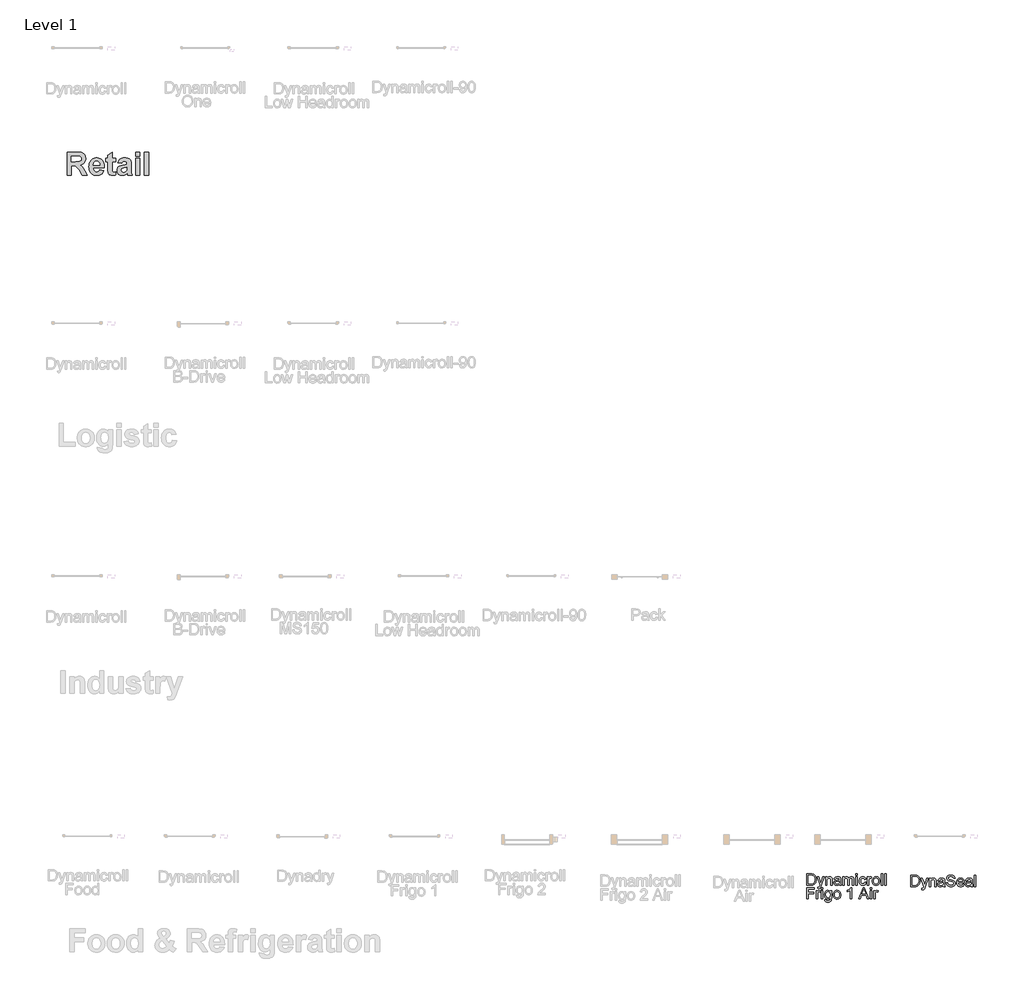
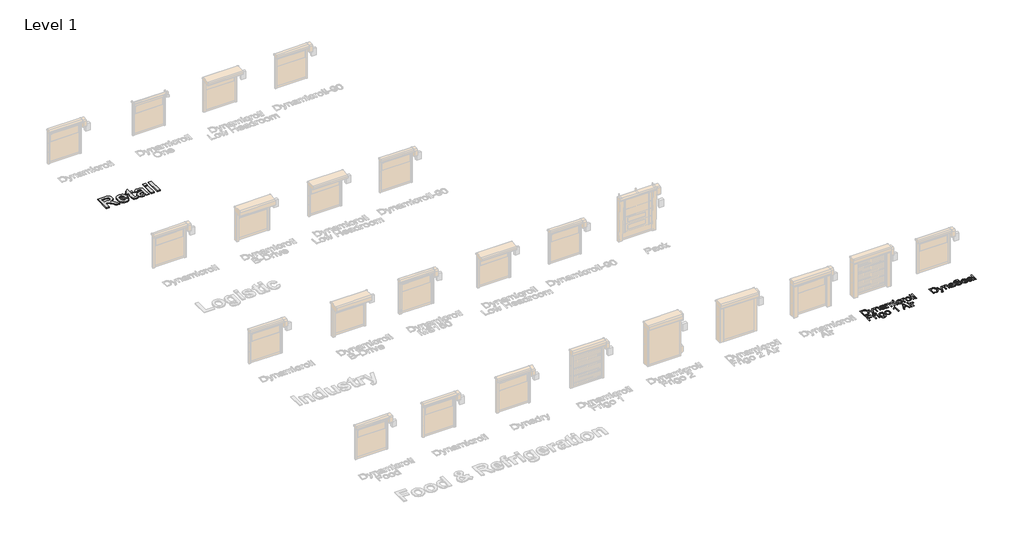
# One storey, part 12 of 18: 3 proxies.
"""IFC4 building model written with IfcOpenShell, lengths in millimetres."""

from ifc_helpers import new_model, si_unit, origin, origin_with_axes, place, context, project, spatial, polyline, outline, extrude, element, save

model = new_model("IFC4")

# Units and contexts
model_context = context("Model", 3, world=origin())
ifc_project = project(units=[si_unit("LENGTHUNIT", "METRE", prefix="MILLI")], contexts=[model_context])

# Site, building, storey
site = spatial("IfcSite", under=ifc_project)
building = spatial("IfcBuilding", under=site)
storey = spatial("IfcBuildingStorey", under=building, Name="Level 1", Elevation=0.0)

# Proxies
placement = place(None, origin())
element("IfcBuildingElementProxy", 1, Name="1000", ObjectType="1000", at=placement, inside=storey, context=model_context, shape_type="SweptSolid", body=[
    extrude(outline(polyline([(1045.7794526, 38987.0003222), (1045.7794526, 40007.2597221), (1474.9361844, 40007.2597221), (1550.3738911, 40005.5358836), (1614.7410749, 40000.3643678), (1668.0377356, 39991.7451749), (1710.2638733, 39979.6783048), (1745.1202058, 39963.1990406), (1776.3074506, 39941.3426652), (1803.8256077, 39914.1091786), (1827.6746773, 39881.4985808), (1846.9373873, 39844.9184098), (1860.6964659, 39805.7762035), (1868.9519131, 39764.0719618), (1871.7037288, 39719.8056849), (1867.726248, 39664.6270352), (1855.7938057, 39614.477566), (1835.9064019, 39569.3572772), (1808.0640366, 39529.2661689), (1772.2983397, 39495.1689581), (1728.6409415, 39468.0303617), (1677.0918419, 39447.8503798), (1617.6510409, 39434.6290123), (1674.015818, 39394.0160079), (1719.6263728, 39349.6073956), (1766.8184308, 39285.271842), (1827.9277178, 39184.8780134), (1952.676697, 38987.0003222), (1725.6993454, 38987.0003222), (1577.9236784, 39220.0506464), (1506.53462, 39309.5321024), (1461.9045973, 39358.3372938), (1429.7051904, 39382.3445137), (1395.6079795, 39397.432055), (1350.3453555, 39405.4028316), (1284.649709, 39408.0597571), (1240.1145764, 39408.0597571), (1240.1145764, 38987.0003222), (1045.7794526, 38987.0003222)]), holes=[polyline([(1240.1145764, 39586.2002872), (1400.2892293, 39586.2002872), (1526.7146019, 39589.1418834), (1568.0313753, 39592.8188785), (1594.7508733, 39597.9666717), (1629.3541652, 39613.9714849), (1655.4805995, 39638.4531558), (1665.0566019, 39653.706755), (1671.8966036, 39670.7474529), (1677.368605, 39710.1901449), (1675.5656912, 39733.1931102), (1670.15695, 39753.8712656), (1661.1423813, 39772.2246113), (1648.521985, 39788.2531471), (1632.612062, 39801.7512776), (1613.7289127, 39812.5134075), (1591.8725373, 39820.5395367), (1567.0429357, 39825.8296652), (1409.1456477, 39829.119192), (1240.1145764, 39829.119192), (1240.1145764, 39586.2002872)])]), origin_with_axes(), (0.0, 0.0, 1.0), 50.0),
    extrude(outline(polyline([(2487.0982875, 39213.7246333), (2681.4334113, 39181.335446), (2660.4310477, 39132.9177229), (2634.114833, 39090.6520476), (2602.4847672, 39054.53842), (2565.5408505, 39024.5768403), (2523.457048, 39001.0519789), (2476.4073253, 38984.2485065), (2424.3916822, 38974.166423), (2367.4101188, 38970.8057285), (2321.8746854, 38972.7865614), (2279.3994609, 38978.72906), (2239.9844453, 38988.6332243), (2203.6296385, 39002.4990544), (2170.3350406, 39020.3265502), (2140.1006515, 39042.1157117), (2112.9264713, 39067.866539), (2088.8124999, 39097.579032), (2057.593625, 39151.6506293), (2035.2944287, 39212.3961705), (2021.9149109, 39279.8156556), (2017.4550716, 39353.9090846), (2023.3698939, 39441.2713261), (2030.7634218, 39481.2042841), (2041.1143608, 39518.6384669), (2054.422711, 39553.5738744), (2070.6884722, 39586.0105068), (2089.9116447, 39615.9483641), (2112.0922283, 39643.3874461), (2136.5343616, 39667.9402846), (2162.5421831, 39689.2194113), (2190.1156929, 39707.2248262), (2219.2548909, 39721.9565293), (2249.9597772, 39733.4145206), (2282.2303518, 39741.5988001), (2316.0666146, 39746.5093678), (2351.4685657, 39748.1462237), (2391.0101016, 39746.4658765), (2428.4087005, 39741.4248348), (2463.6643625, 39733.0230986), (2496.7770876, 39721.2606679), (2527.7468757, 39706.1375427), (2556.5737269, 39687.653723), (2583.257641, 39665.8092089), (2607.7986183, 39640.6040003), (2629.7380226, 39611.9273919), (2648.6172181, 39579.6686787), (2664.4362047, 39543.8278604), (2677.1949825, 39504.4049373), (2686.8935514, 39461.3999092), (2693.5319114, 39414.8127761), (2697.1100626, 39364.6435381), (2697.6280049, 39310.8921952), (2211.7901954, 39310.8921952), (2215.411838, 39267.4008548), (2224.2524413, 39229.0335851), (2238.3120055, 39195.790386), (2257.5905306, 39167.6712576), (2280.8228139, 39145.3088011), (2306.7436527, 39129.3356179), (2335.3530472, 39119.751708), (2366.6509972, 39116.5570714), (2407.453782, 39122.3137434), (2425.245694, 39129.5095833), (2441.2979523, 39139.5837592), (2455.5472969, 39152.8525718), (2467.9304677, 39169.6323217), (2487.0982875, 39213.7246333)]), holes=[polyline([(2503.2928811, 39424.2543507), (2499.8293889, 39465.2864535), (2491.4632366, 39501.0837804), (2478.194424, 39531.6463314), (2460.0229512, 39556.9741065), (2438.2930961, 39576.8456953), (2414.3491363, 39591.0396873), (2388.191072, 39599.5560825), (2359.818903, 39602.3948809), (2329.6754504, 39599.4058397), (2302.2521834, 39590.438716), (2277.5491021, 39575.49351), (2255.5662064, 39554.5702215), (2237.6635892, 39528.3963421), (2224.9483028, 39497.9524039), (2217.4203471, 39463.2384067), (2215.0797223, 39424.2543507), (2503.2928811, 39424.2543507)])]), origin_with_axes(), (0.0, 0.0, 1.0), 50.0),
    extrude(outline(polyline([(3199.6604081, 39731.9516301), (3199.6604081, 39586.2002872), (3053.9090652, 39586.2002872), (3053.9090652, 39266.6101032), (3055.0161175, 39189.9071938), (3058.3372744, 39153.6275084), (3065.5805595, 39138.9511579), (3078.4539962, 39127.0582532), (3095.8505324, 39119.1823668), (3116.6631156, 39116.5570714), (3155.1252756, 39121.2383211), (3207.7577049, 39135.2820703), (3215.8550017, 38997.1219432), (3179.5278713, 38985.6085993), (3140.891746, 38977.3847822), (3099.9466259, 38972.450492), (3056.692511, 38970.8057285), (3004.9457235, 38975.360458), (2958.512787, 38989.0246464), (2920.5883382, 39009.9004898), (2894.3670137, 39036.0901842), (2877.0653678, 39070.0608748), (2865.8999546, 39114.2797067), (2861.1554447, 39167.1019164), (2859.5739414, 39255.7293606), (2859.5739414, 39586.2002872), (2762.4063795, 39586.2002872), (2762.4063795, 39731.9516301), (2859.5739414, 39731.9516301), (2859.5739414, 39877.7029729), (3053.9090652, 39991.0651285), (3053.9090652, 39731.9516301), (3199.6604081, 39731.9516301)])), origin_with_axes(), (0.0, 0.0, 1.0), 50.0),
    extrude(outline(polyline([(3474.9685001, 39505.227319), (3296.82797, 39537.6165063), (3313.5681823, 39587.7817905), (3335.4482802, 39630.9884603), (3362.4682639, 39667.2365156), (3394.6281332, 39696.5259565), (3433.5568366, 39719.1098234), (3480.8833224, 39735.2411569), (3536.6075907, 39744.919957), (3600.7296415, 39748.1462237), (3658.8815173, 39746.1930672), (3709.0942466, 39740.3335975), (3751.3678295, 39730.5678147), (3785.7022658, 39716.8957188), (3813.8213942, 39700.2266742), (3837.4490533, 39681.4700452), (3856.5852431, 39660.6258319), (3871.2299635, 39637.6940342), (3882.0790761, 39608.6971715), (3889.8284422, 39569.6577629), (3894.4780618, 39520.5758084), (3896.027935, 39461.451308), (3896.027935, 39231.6905106), (3898.5899704, 39146.4158534), (3906.2760763, 39086.9513299), (3920.9840569, 39038.6838496), (3944.611716, 38987.0003222), (3750.2765922, 38987.0003222), (3732.0576743, 39048.7422105), (3725.2255801, 39073.2871415), (3674.9337756, 39028.5305985), (3621.225924, 38996.4893419), (3593.0593505, 38985.2527611), (3563.9755051, 38977.2266319), (3533.9743878, 38972.4109544), (3503.0559985, 38970.8057285), (3450.573812, 38974.7041341), (3403.9590026, 38986.3993509), (3363.2115704, 39005.8913789), (3328.3315155, 39033.1802181), (3300.3784449, 39066.4155097), (3280.4119659, 39103.7468948), (3268.4320785, 39145.1743734), (3264.4387827, 39190.6979454), (3266.2179739, 39221.3474791), (3271.5555475, 39250.2889893), (3280.4515035, 39277.5224759), (3292.9058418, 39303.0479389), (3308.5706319, 39326.2802222), (3327.0979429, 39346.6341695), (3348.4877748, 39364.1097808), (3372.7401277, 39378.7070561), (3435.430918, 39403.3152472), (3520.7688353, 39424.5073913), (3631.2842849, 39449.4951432), (3701.6928112, 39472.8381317), (3701.6928112, 39493.3344143), (3700.1824756, 39520.6944211), (3695.6514687, 39543.8159992), (3688.0997905, 39562.6991484), (3677.527441, 39577.3438688), (3662.7799229, 39588.3036866), (3642.7027387, 39596.1321279), (3617.2958884, 39600.8291926), (3586.559372, 39602.3948809), (3546.2626683, 39597.0177697), (3529.8624792, 39590.2963808), (3515.9610653, 39580.8864362), (3503.9100103, 39568.0920746), (3493.0608977, 39551.2174346), (3474.9685001, 39505.227319)]), holes=[polyline([(3701.6928112, 39327.0867888), (3592.1262636, 39300.1379728), (3530.1313348, 39284.6708707), (3493.9465396, 39269.393549), (3478.5585126, 39256.409407), (3467.5670648, 39241.7488715), (3460.9721961, 39225.4119426), (3458.7739065, 39207.3986201), (3460.5372827, 39189.5513556), (3465.8274112, 39172.9534786), (3474.644292, 39157.6049892), (3486.9879251, 39143.5058874), (3502.0517439, 39131.7157804), (3519.0291817, 39123.2942754), (3537.9202385, 39118.2413724), (3558.7249142, 39116.5570714), (3582.8428393, 39118.5181355), (3606.3597932, 39124.4013277), (3629.2757758, 39134.2066481), (3651.5907871, 39147.9340966), (3678.7926437, 39174.3768315), (3694.6076765, 39206.1334175), (3699.9215276, 39238.8389055), (3701.6928112, 39291.9141558), (3701.6928112, 39327.0867888)])]), origin_with_axes(), (0.0, 0.0, 1.0), 50.0),
    extrude(outline(polyline([(4090.3630589, 39829.119192), (4090.3630589, 40007.2597221), (4284.6981827, 40007.2597221), (4284.6981827, 39829.119192), (4090.3630589, 39829.119192)])), origin_with_axes(), (0.0, 0.0, 1.0), 50.0),
    extrude(outline(polyline([(4090.3630589, 38987.0003222), (4090.3630589, 39731.9516301), (4284.6981827, 39731.9516301), (4284.6981827, 38987.0003222), (4090.3630589, 38987.0003222)])), origin_with_axes(), (0.0, 0.0, 1.0), 50.0),
    extrude(outline(polyline([(4479.0333065, 38987.0003222), (4479.0333065, 40007.2597221), (4673.3684303, 40007.2597221), (4673.3684303, 38987.0003222), (4479.0333065, 38987.0003222)])), origin_with_axes(), (0.0, 0.0, 1.0), 50.0),
])
element("IfcBuildingElementProxy", 2, Name="500mm", ObjectType="500mm", at=placement, inside=storey, context=model_context, shape_type="SweptSolid", body=[
    extrude(outline(polyline([(33930.581434, 7417.4459168), (33930.581434, 7919.7274676), (34103.8538537, 7919.7274676), (34155.6332446, 7917.9187144), (34193.4944332, 7912.492455), (34233.532257, 7898.543596), (34267.3160869, 7876.5626468), (34285.9324487, 7858.5977427), (34302.0502786, 7838.3029193), (34315.6695767, 7815.6781766), (34326.7903428, 7790.7235146), (34341.5975931, 7734.7441377), (34346.5333432, 7671.2844935), (34343.1917484, 7617.3744528), (34333.1669641, 7569.9330038), (34317.8998613, 7529.5426265), (34298.8313112, 7496.7858005), (34276.8810188, 7470.9267619), (34252.9686891, 7451.2297467), (34225.5154952, 7436.6217658), (34192.9426102, 7426.0298301), (34155.1887205, 7419.5918951), (34112.1925123, 7417.4459168), (33930.581434, 7417.4459168)]), holes=[polyline([(33993.3666279, 7480.2311107), (34104.4669904, 7480.2311107), (34150.421583, 7482.4997163), (34185.278402, 7489.3055332), (34211.5819647, 7500.2500226), (34231.8767881, 7514.9346456), (34253.6891247, 7542.111928), (34270.0752019, 7577.2906437), (34280.3299125, 7620.6240771), (34283.7481494, 7672.2655122), (34282.0735199, 7708.7164865), (34277.0496314, 7740.6915633), (34268.6764839, 7768.1907424), (34256.9540774, 7791.2140239), (34242.8327737, 7810.282574), (34227.2629347, 7825.9175588), (34210.2445603, 7838.1189783), (34191.7776506, 7846.8868325), (34155.6639014, 7854.4284134), (34102.7502078, 7856.9422737), (33993.3666279, 7856.9422737), (33993.3666279, 7480.2311107)])]), origin_with_axes(), (0.0, 0.0, 1.0), 5.0),
    extrude(outline(polyline([(34425.0148355, 7276.1792307), (34417.1666863, 7336.6345052), (34449.0497925, 7331.1162753), (34465.8190802, 7332.8483864), (34478.8482342, 7338.0447195), (34488.9956459, 7346.3373929), (34497.1197066, 7357.3585243), (34514.287533, 7403.5890284), (34519.1926263, 7418.7948175), (34385.7740894, 7786.3089307), (34451.9928485, 7786.3089307), (34522.7488189, 7581.5212867), (34547.3969126, 7499.6062291), (34572.0450063, 7571.9563548), (34644.763014, 7786.3089307), (34710.4912638, 7786.3089307), (34582.1004475, 7408.616749), (34548.7458132, 7326.7016914), (34531.6699573, 7300.5514129), (34512.3254957, 7282.4332246), (34489.8540372, 7271.8566172), (34463.3971904, 7268.3310815), (34445.2176884, 7270.2931188), (34425.0148355, 7276.1792307)])), origin_with_axes(), (0.0, 0.0, 1.0), 5.0),
    extrude(outline(polyline([(34762.4852524, 7417.4459168), (34762.4852524, 7786.3089307), (34825.2704463, 7786.3089307), (34825.2704463, 7734.8054513), (34847.0827829, 7760.7717888), (34873.2790467, 7779.3191728), (34903.8592375, 7790.4476031), (34938.8233555, 7794.1570799), (34969.7714283, 7791.1680387), (34998.1136703, 7782.2009151), (35021.7500885, 7768.3746834), (35038.5806898, 7750.8083181), (35050.0003601, 7729.5478045), (35057.4039852, 7704.6391277), (35060.7149232, 7643.9385985), (35060.7149232, 7417.4459168), (34997.9297294, 7417.4459168), (34997.9297294, 7635.4773126), (34996.1209762, 7667.9428987), (34990.6947168, 7691.0274939), (34980.6852608, 7707.5668553), (34965.1269181, 7720.3967399), (34945.1846483, 7728.6280995), (34922.023411, 7731.3718861), (34902.958693, 7729.8313802), (34885.2505399, 7725.2098626), (34868.8989516, 7717.5073334), (34853.9039282, 7706.7237924), (34841.3767799, 7691.6329664), (34832.4288168, 7671.008582), (34827.0600389, 7644.8506393), (34825.2704463, 7613.1591383), (34825.2704463, 7417.4459168), (34762.4852524, 7417.4459168)])), origin_with_axes(), (0.0, 0.0, 1.0), 5.0),
    extrude(outline(polyline([(35382.4890416, 7464.5348122), (35352.4913306, 7438.8137294), (35321.6045714, 7421.9831281), (35289.123657, 7412.6941077), (35254.34348, 7409.5977676), (35226.3882805, 7411.4601702), (35201.8743104, 7417.047378), (35180.8015699, 7426.359391), (35163.1700589, 7439.3962092), (35149.2480246, 7455.3300981), (35139.3037144, 7473.3333233), (35133.3371283, 7493.4058846), (35131.3482663, 7515.5477822), (35134.3526359, 7541.5754334), (35143.3657448, 7565.2118516), (35157.2686185, 7585.4453613), (35174.9422827, 7601.2642871), (35195.712287, 7613.2204519), (35218.9041811, 7621.8656788), (35273.2280891, 7631.3079834), (35337.4234972, 7641.2407972), (35382.1211596, 7652.8903938), (35382.4890416, 7666.8699096), (35378.1664282, 7694.8902549), (35365.1985879, 7713.223041), (35352.1234486, 7721.1631607), (35336.1972239, 7726.8346748), (35295.7915181, 7731.3718861), (35258.3901819, 7728.352188), (35232.2705603, 7719.2930939), (35214.4589403, 7702.5391347), (35201.9816093, 7676.4348414), (35139.1964155, 7684.2829907), (35150.0949196, 7718.6186436), (35166.3583695, 7745.5966565), (35189.5042783, 7766.2287051), (35221.0501594, 7781.5264647), (35259.6317837, 7790.9994261), (35303.884922, 7794.1570799), (35346.3293072, 7791.3673081), (35379.9751813, 7782.9979927), (35405.3437106, 7770.4133628), (35422.9560611, 7754.9776474), (35434.6363145, 7735.8937689), (35442.2085522, 7712.3646496), (35445.2742355, 7657.427605), (35445.2742355, 7579.3139947), (35448.4625461, 7470.2369831), (35453.1836984, 7443.2742986), (35460.9705339, 7417.4459168), (35398.1853401, 7417.4459168), (35388.1298989, 7439.2735819), (35382.4890416, 7464.5348122)]), holes=[polyline([(35382.4890416, 7590.1051999), (35340.3052395, 7579.6512199), (35281.1988656, 7570.8527088), (35227.181526, 7560.6746403), (35213.1253681, 7553.7155392), (35202.7173733, 7544.1199505), (35196.2794384, 7532.6236382), (35194.1334601, 7519.9623662), (35198.8086271, 7501.2923549), (35212.8341282, 7485.9945953), (35235.903395, 7475.7858699), (35267.7098591, 7472.3829615), (35301.4323754, 7476.1384235), (35331.230817, 7487.4048096), (35355.3884013, 7504.0054846), (35372.1883458, 7523.7638134), (35379.6379562, 7544.1199505), (35382.1211596, 7572.3242368), (35382.4890416, 7590.1051999)])]), origin_with_axes(), (0.0, 0.0, 1.0), 5.0),
    extrude(outline(polyline([(35531.603877, 7417.4459168), (35531.603877, 7786.3089307), (35594.3890709, 7786.3089307), (35594.3890709, 7725.6084015), (35613.27368, 7753.490791), (35637.5538916, 7775.3337845), (35666.4019714, 7789.451256), (35698.9901848, 7794.1570799), (35733.9083175, 7789.3592855), (35761.898006, 7774.9659025), (35782.8059661, 7751.9272925), (35796.4789135, 7721.1938175), (35819.3642393, 7753.1152448), (35845.4685326, 7775.9162643), (35874.7917933, 7789.596876), (35907.3340214, 7794.1570799), (35932.4687923, 7792.2601884), (35954.5302157, 7786.5695137), (35973.5182916, 7777.0850561), (35989.43302, 7763.8068153), (36002.0138178, 7746.5815073), (36011.000102, 7725.2558479), (36016.3918725, 7699.8298371), (36018.1891293, 7670.3034749), (36018.1891293, 7417.4459168), (35955.4039355, 7417.4459168), (35955.4039355, 7643.3254619), (35953.9477359, 7674.6414167), (35949.5791372, 7695.7486462), (35941.3937628, 7710.2033429), (35928.4872362, 7721.5616995), (35911.8865611, 7728.9193394), (35892.6187416, 7731.3718861), (35874.8262822, 7729.8007234), (35858.6049855, 7725.0872353), (35843.9548514, 7717.2314219), (35830.8758801, 7706.2332831), (35820.1191638, 7691.7709221), (35812.4357951, 7673.5224423), (35807.8257738, 7651.4878436), (35806.2891001, 7625.6671261), (35806.2891001, 7417.4459168), (35743.5039062, 7417.4459168), (35743.5039062, 7650.3152198), (35739.8710715, 7685.8158323), (35728.9725674, 7711.1383763), (35720.5457705, 7719.9905368), (35709.7967184, 7726.3135086), (35681.3318491, 7731.3718861), (35657.1436079, 7727.9996344), (35634.8560903, 7717.8828796), (35616.4619906, 7701.2668761), (35603.9540027, 7678.3968788), (35596.7803038, 7646.6670567), (35594.3890709, 7603.4715791), (35594.3890709, 7417.4459168), (35531.603877, 7417.4459168)])), origin_with_axes(), (0.0, 0.0, 1.0), 5.0),
    extrude(outline(polyline([(36112.3669201, 7856.9422737), (36112.3669201, 7919.7274676), (36175.1521139, 7919.7274676), (36175.1521139, 7856.9422737), (36112.3669201, 7856.9422737)])), origin_with_axes(), (0.0, 0.0, 1.0), 5.0),
    extrude(outline(polyline([(36112.3669201, 7417.4459168), (36112.3669201, 7786.3089307), (36175.1521139, 7786.3089307), (36175.1521139, 7417.4459168), (36112.3669201, 7417.4459168)])), origin_with_axes(), (0.0, 0.0, 1.0), 5.0),
    extrude(outline(polyline([(36504.7743816, 7550.8644538), (36567.5595754, 7543.0163045), (36560.7307659, 7513.3903076), (36550.0545238, 7487.1748833), (36535.5308492, 7464.3700317), (36517.1597421, 7444.9757528), (36495.7152875, 7429.4978843), (36471.9715704, 7418.4422639), (36445.9285908, 7411.8088917), (36417.5863487, 7409.5977676), (36382.373144, 7412.6826114), (36350.8004382, 7421.9371429), (36322.8682313, 7437.3613619), (36298.5765233, 7458.9552686), (36278.9139971, 7486.3126599), (36264.8693355, 7519.0273328), (36256.4425385, 7557.0992872), (36253.6336062, 7600.5285231), (36258.4314006, 7656.4006011), (36272.8247836, 7704.8230687), (36283.6773025, 7725.7731819), (36297.0436817, 7743.9258591), (36312.9239211, 7759.2811003), (36331.3180209, 7771.8389055), (36372.3215349, 7788.5775363), (36416.7279574, 7794.1570799), (36444.5835222, 7792.2410278), (36469.7796068, 7786.4928717), (36492.3162111, 7776.9126114), (36512.1933352, 7763.500247), (36529.0737538, 7746.5623468), (36542.6202418, 7726.4054791), (36552.8327993, 7703.029644), (36559.7114262, 7676.4348414), (36496.9262324, 7668.5866922), (36485.5372189, 7695.9785724), (36467.8022411, 7715.6142739), (36444.7023175, 7727.432483), (36417.2184667, 7731.3718861), (36395.8851431, 7729.4328414), (36376.6441484, 7723.6157073), (36359.4954824, 7713.9204839), (36344.4391454, 7700.3471711), (36332.1802443, 7682.5815364), (36323.4238864, 7660.3093473), (36318.1700716, 7633.5306038), (36316.4188001, 7602.2453057), (36318.1317506, 7570.4886589), (36323.2706022, 7543.3995149), (36331.8353549, 7520.9778738), (36343.8260087, 7503.2237354), (36358.5834417, 7489.7308968), (36375.4485319, 7480.0931549), (36394.4212794, 7474.3105098), (36415.5016841, 7472.3829615), (36448.0132554, 7477.1960842), (36474.6693717, 7491.6354525), (36485.4490805, 7502.5569493), (36494.0598185, 7516.0689484), (36504.7743816, 7550.8644538)])), origin_with_axes(), (0.0, 0.0, 1.0), 5.0),
    extrude(outline(polyline([(36622.4966201, 7417.4459168), (36622.4966201, 7786.3089307), (36677.4336647, 7786.3089307), (36677.4336647, 7731.7397681), (36697.7284881, 7763.3776196), (36716.4291562, 7782.0169741), (36735.1911379, 7791.1220534), (36755.6699023, 7794.1570799), (36786.9398719, 7789.3133003), (36818.7003508, 7774.7819615), (36797.7310771, 7718.4960162), (36775.6581574, 7728.1529186), (36753.5852377, 7731.3718861), (36734.8385843, 7728.2755459), (36718.0846251, 7718.9865256), (36704.5496334, 7704.2099321), (36695.4598824, 7684.6508727), (36687.826331, 7649.5794558), (36685.2818139, 7611.3197283), (36685.2818139, 7417.4459168), (36622.4966201, 7417.4459168)])), origin_with_axes(), (0.0, 0.0, 1.0), 5.0),
    extrude(outline(polyline([(36842.2447985, 7601.8774238), (36845.6400428, 7649.6484337), (36855.8257755, 7690.8128961), (36872.8019967, 7725.370811), (36896.5687065, 7753.3221784), (36920.4963646, 7771.1874478), (36946.9072261, 7783.9483545), (36975.8012912, 7791.6048986), (37007.1785597, 7794.1570799), (37041.8169488, 7791.0492435), (37073.1367357, 7781.7257341), (37101.1379205, 7766.186552), (37125.8205031, 7744.4316969), (37145.9658745, 7717.1969329), (37160.3554254, 7685.2180241), (37168.989156, 7648.4949703), (37171.8670662, 7607.0277717), (37166.7780319, 7543.5987844), (37160.4167391, 7517.563469), (37151.5109291, 7495.3142725), (37140.171733, 7476.0962703), (37126.5102819, 7459.154538), (37110.5265756, 7444.4890756), (37092.2206142, 7432.099883), (37051.4930117, 7415.2232965), (37007.1785597, 7409.5977676), (36972.0343328, 7412.6941077), (36940.423306, 7421.9831281), (36912.3454791, 7437.4648287), (36887.8008522, 7459.1392096), (36867.8700787, 7486.6383888), (36853.6338119, 7519.5944842), (36845.0920519, 7558.0074958), (36842.2447985, 7601.8774238)]), holes=[polyline([(36905.0299923, 7602.0000511), (36906.8464097, 7571.5463197), (36912.2956618, 7545.1776112), (36921.3777485, 7522.8939258), (36934.09267, 7504.6952634), (36949.5590422, 7490.5586313), (36966.8954812, 7480.4610369), (36986.101987, 7474.4024803), (37007.1785597, 7472.3829615), (37028.1478334, 7474.4139766), (37047.2776971, 7480.5070222), (37064.5681509, 7490.6620981), (37080.0191947, 7504.8792044), (37092.7341162, 7523.2579757), (37101.8162029, 7545.8980468), (37107.265455, 7572.7994177), (37109.0818723, 7603.9620884), (37107.2539587, 7633.4501296), (37101.7702177, 7659.1290593), (37092.6306494, 7680.9988774), (37079.8352537, 7699.0595841), (37064.3267284, 7713.1962162), (37047.0477709, 7723.2938106), (37027.9983813, 7729.3523672), (37007.1785597, 7731.3718861), (36986.101987, 7729.3600314), (36966.8954812, 7723.3244674), (36949.5590422, 7713.2651941), (36934.09267, 7699.1822115), (36921.3777485, 7681.0371985), (36912.2956618, 7658.7918341), (36906.8464097, 7632.4461183), (36905.0299923, 7602.0000511)])]), origin_with_axes(), (0.0, 0.0, 1.0), 5.0),
    extrude(outline(polyline([(37242.5004093, 7417.4459168), (37242.5004093, 7919.7274676), (37305.2856031, 7919.7274676), (37305.2856031, 7417.4459168), (37242.5004093, 7417.4459168)])), origin_with_axes(), (0.0, 0.0, 1.0), 5.0),
    extrude(outline(polyline([(37399.4633939, 7417.4459168), (37399.4633939, 7919.7274676), (37462.2485877, 7919.7274676), (37462.2485877, 7417.4459168), (37399.4633939, 7417.4459168)])), origin_with_axes(), (0.0, 0.0, 1.0), 5.0),
    extrude(outline(polyline([(33930.581434, 6807.5718276), (33930.581434, 7309.8533784), (34268.0518509, 7309.8533784), (34268.0518509, 7247.0681845), (33993.3666279, 7247.0681845), (33993.3666279, 7097.9533491), (34228.8111048, 7097.9533491), (34228.8111048, 7035.1681553), (33993.3666279, 7035.1681553), (33993.3666279, 6807.5718276), (33930.581434, 6807.5718276)])), origin_with_axes(), (0.0, 0.0, 1.0), 5.0),
    extrude(outline(polyline([(34346.5333432, 6807.5718276), (34346.5333432, 7176.4348414), (34401.4703878, 7176.4348414), (34401.4703878, 7121.8656788), (34421.7652112, 7153.5035304), (34440.4658793, 7172.1428848), (34459.2278611, 7181.2479642), (34479.7066255, 7184.2829907), (34510.9765951, 7179.4392111), (34542.737074, 7164.9078723), (34521.7678003, 7108.621927), (34499.6948806, 7118.2788294), (34477.6219608, 7121.4977968), (34458.8753075, 7118.4014567), (34442.1213483, 7109.1124363), (34428.5863566, 7094.3358429), (34419.4966056, 7074.7767834), (34411.8630542, 7039.7053666), (34409.3185371, 7001.4456391), (34409.3185371, 6807.5718276), (34346.5333432, 6807.5718276)])), origin_with_axes(), (0.0, 0.0, 1.0), 5.0),
    extrude(outline(polyline([(34581.9778201, 7247.0681845), (34581.9778201, 7309.8533784), (34644.763014, 7309.8533784), (34644.763014, 7247.0681845), (34581.9778201, 7247.0681845)])), origin_with_axes(), (0.0, 0.0, 1.0), 5.0),
    extrude(outline(polyline([(34581.9778201, 6807.5718276), (34581.9778201, 7176.4348414), (34644.763014, 7176.4348414), (34644.763014, 6807.5718276), (34581.9778201, 6807.5718276)])), origin_with_axes(), (0.0, 0.0, 1.0), 5.0),
    extrude(outline(polyline([(34723.2445063, 6776.1792307), (34786.0297001, 6768.3310815), (34792.9581444, 6748.7107084), (34806.3858372, 6735.2217019), (34832.7813704, 6724.737065), (34867.3316211, 6721.2421861), (34904.1811342, 6725.1969175), (34931.5883429, 6737.0611119), (34950.5955793, 6756.0683483), (34962.2451758, 6781.452206), (34965.6480843, 6808.4608758), (34966.5371324, 6854.660723), (34945.6445008, 6834.0593313), (34922.3299793, 6819.3440515), (34896.5935681, 6810.5148836), (34868.435267, 6807.5718276), (34834.0114758, 6810.9977287), (34803.7033643, 6821.2754319), (34777.5109327, 6838.4049373), (34755.4341809, 6862.3862449), (34737.9176329, 6891.1576826), (34725.405813, 6922.6575784), (34717.898721, 6956.8859324), (34715.3963571, 6993.8427445), (34719.8875831, 7044.5338178), (34733.3612612, 7091.1475322), (34755.3422104, 7130.6488615), (34769.3447188, 7146.5942467), (34785.3552498, 7160.002779), (34803.1170524, 7170.6253716), (34822.3733756, 7178.2129378), (34843.1242194, 7182.7654774), (34865.3695838, 7184.2829907), (34894.7311655, 7180.8494254), (34921.3796175, 7170.5487295), (34945.3149398, 7153.3809031), (34966.5371324, 7129.3459461), (34966.5371324, 7176.4348414), (35029.3223263, 7176.4348414), (35029.3223263, 6857.971661), (35025.0303697, 6784.4412472), (35019.6654239, 6757.0915201), (35012.1544998, 6736.0187796), (34989.9742812, 6703.9057471), (34957.7692782, 6679.3036386), (34938.0837594, 6670.1832308), (34916.244598, 6663.6686538), (34866.1053477, 6658.4569922), (34835.345048, 6660.2925701), (34807.6887526, 6665.7993037), (34783.1364615, 6674.9771931), (34761.6881748, 6687.8262382), (34744.3632321, 6704.3617674), (34732.1809731, 6724.5991093), (34725.1413978, 6748.5382637), (34723.2445063, 6776.1792307)]), holes=[polyline([(34778.1815509, 6998.1347011), (34779.8561804, 6967.0908257), (34784.8800689, 6940.5458405), (34793.2532164, 6918.4997455), (34804.9756229, 6900.9525407), (34819.2272181, 6887.567001), (34835.1879317, 6878.0059013), (34852.8577638, 6872.2692414), (34872.2367143, 6870.3570215), (34891.4240596, 6872.2577451), (34909.0095854, 6877.959916), (34924.9932917, 6887.4635342), (34939.3751785, 6900.7685997), (34951.2585333, 6918.1433598), (34959.7466439, 6939.8560617), (34964.8395103, 6965.9067055), (34966.5371324, 6996.2952911), (34964.789693, 7025.4154503), (34959.5473745, 7050.726498), (34950.8101771, 7072.2284342), (34938.5781008, 7089.9212589), (34923.8858136, 7103.7359943), (34907.7679837, 7113.6036624), (34890.2246111, 7119.5242632), (34871.2556957, 7121.4977968), (34852.6048449, 7119.55492), (34835.4025296, 7113.7262897), (34819.6487495, 7104.0119057), (34805.3435049, 7090.4117682), (34793.46015, 7072.9871908), (34784.9720394, 7051.7994872), (34779.879173, 7026.8486573), (34778.1815509, 6998.1347011)])]), origin_with_axes(), (0.0, 0.0, 1.0), 5.0),
    extrude(outline(polyline([(35107.8038186, 6992.0033345), (35111.1990628, 7039.7743444), (35121.3847956, 7080.9388069), (35138.3610168, 7115.4967218), (35162.1277265, 7143.4480892), (35186.0553846, 7161.3133586), (35212.4662462, 7174.0742653), (35241.3603112, 7181.7308093), (35272.7375797, 7184.2829907), (35307.3759689, 7181.1751542), (35338.6957558, 7171.8516449), (35366.6969406, 7156.3124627), (35391.3795232, 7134.5576077), (35411.5248945, 7107.3228437), (35425.9144455, 7075.3439349), (35434.5481761, 7038.6208811), (35437.4260863, 6997.1536825), (35432.337052, 6933.7246951), (35425.9757592, 6907.6893798), (35417.0699492, 6885.4401833), (35405.7307531, 6866.2221811), (35392.0693019, 6849.2804488), (35376.0855957, 6834.6149864), (35357.7796343, 6822.2257938), (35317.0520318, 6805.3492072), (35272.7375797, 6799.7236784), (35237.5933529, 6802.8200185), (35205.982326, 6812.1090389), (35177.9044992, 6827.5907395), (35153.3598723, 6849.2651204), (35133.4290988, 6876.7642995), (35119.192832, 6909.7203949), (35110.6510719, 6948.1334066), (35107.8038186, 6992.0033345)]), holes=[polyline([(35170.5890124, 6992.1259619), (35172.4054298, 6961.6722304), (35177.8546818, 6935.303522), (35186.9367686, 6913.0198366), (35199.65169, 6894.8211741), (35215.1180623, 6880.684542), (35232.4545013, 6870.5869477), (35251.6610071, 6864.5283911), (35272.7375797, 6862.5088722), (35293.7068535, 6864.5398874), (35312.8367172, 6870.632933), (35330.127171, 6880.7880089), (35345.5782148, 6895.0051151), (35358.2931363, 6913.3838865), (35367.375223, 6936.0239576), (35372.8244751, 6962.9253285), (35374.6408924, 6994.0879992), (35372.8129787, 7023.5760403), (35367.3292378, 7049.25497), (35358.1896694, 7071.1247882), (35345.3942738, 7089.1854949), (35329.8857484, 7103.322127), (35312.606791, 7113.4197214), (35293.5574014, 7119.478278), (35272.7375797, 7121.4977968), (35251.6610071, 7119.4859422), (35232.4545013, 7113.4503782), (35215.1180623, 7103.3911049), (35199.65169, 7089.3081223), (35186.9367686, 7071.1631093), (35177.8546818, 7048.9177449), (35172.4054298, 7022.5720291), (35170.5890124, 6992.1259619)])]), origin_with_axes(), (0.0, 0.0, 1.0), 5.0),
    extrude(outline(polyline([(35924.0113385, 6807.5718276), (35861.2261447, 6807.5718276), (35861.2261447, 7198.9982705), (35835.0145525, 7177.7990705), (35801.7518888, 7156.6305274), (35735.655757, 7124.9313621), (35735.655757, 7184.2829907), (35784.9672728, 7211.1077195), (35827.6875695, 7243.0214826), (35861.3641004, 7276.9585966), (35883.5443191, 7309.8533784), (35924.0113385, 7309.8533784), (35924.0113385, 6807.5718276)])), origin_with_axes(), (0.0, 0.0, 1.0), 5.0),
    extrude(outline(polyline([(36234.3811151, 6807.5718276), (36434.8768025, 7309.8533784), (36488.3423191, 7309.8533784), (36688.8380065, 6807.5718276), (36622.4966201, 6807.5718276), (36564.9844015, 6964.5348122), (36358.1120929, 6964.5348122), (36300.7225016, 6807.5718276), (36234.3811151, 6807.5718276)]), holes=[polyline([(36381.1660312, 7027.3200061), (36542.0530904, 7027.3200061), (36496.803605, 7150.8057291), (36461.6095608, 7247.0681845), (36430.3395912, 7161.5969343), (36381.1660312, 7027.3200061)])]), origin_with_axes(), (0.0, 0.0, 1.0), 5.0),
    extrude(outline(polyline([(36748.0670077, 7247.0681845), (36748.0670077, 7309.8533784), (36810.8522016, 7309.8533784), (36810.8522016, 7247.0681845), (36748.0670077, 7247.0681845)])), origin_with_axes(), (0.0, 0.0, 1.0), 5.0),
    extrude(outline(polyline([(36748.0670077, 6807.5718276), (36748.0670077, 7176.4348414), (36810.8522016, 7176.4348414), (36810.8522016, 6807.5718276), (36748.0670077, 6807.5718276)])), origin_with_axes(), (0.0, 0.0, 1.0), 5.0),
    extrude(outline(polyline([(36905.0299923, 6807.5718276), (36905.0299923, 7176.4348414), (36959.967037, 7176.4348414), (36959.967037, 7121.8656788), (36980.2618604, 7153.5035304), (36998.9625284, 7172.1428848), (37017.7245102, 7181.2479642), (37038.2032746, 7184.2829907), (37069.4732442, 7179.4392111), (37101.2337231, 7164.9078723), (37080.2644494, 7108.621927), (37058.1915297, 7118.2788294), (37036.11861, 7121.4977968), (37017.3719566, 7118.4014567), (37000.6179974, 7109.1124363), (36987.0830057, 7094.3358429), (36977.9932547, 7074.7767834), (36970.3597033, 7039.7053666), (36967.8151862, 7001.4456391), (36967.8151862, 6807.5718276), (36905.0299923, 6807.5718276)])), origin_with_axes(), (0.0, 0.0, 1.0), 5.0),
])
element("IfcBuildingElementProxy", 3, Name="500mm", ObjectType="500mm", at=placement, inside=storey, context=model_context, shape_type="SweptSolid", body=[
    extrude(outline(polyline([(38548.2443045, 7357.0163803), (38548.2443045, 7859.2979311), (38721.5167242, 7859.2979311), (38773.296115, 7857.4891779), (38811.1573037, 7852.0629185), (38851.1951275, 7838.1140595), (38884.9789574, 7816.1331103), (38903.5953192, 7798.1682062), (38919.7131491, 7777.8733828), (38933.3324472, 7755.2486401), (38944.4532133, 7730.2939781), (38959.2604636, 7674.3146012), (38964.1962137, 7610.854957), (38960.8546189, 7556.9449163), (38950.8298346, 7509.5034673), (38935.5627318, 7469.11309), (38916.4941817, 7436.356264), (38894.5438893, 7410.4972254), (38870.6315596, 7390.8002102), (38843.1783657, 7376.1922293), (38810.6054807, 7365.6002936), (38772.851591, 7359.1623586), (38729.8553828, 7357.0163803), (38548.2443045, 7357.0163803)]), holes=[polyline([(38611.0294983, 7419.8015742), (38722.1298609, 7419.8015742), (38768.0844535, 7422.0701798), (38802.9412725, 7428.8759967), (38829.2448351, 7439.8204861), (38849.5396585, 7454.5051091), (38871.3519952, 7481.6823915), (38887.7380724, 7516.8611072), (38897.992783, 7560.1945406), (38901.4110199, 7611.8359757), (38899.7363904, 7648.28695), (38894.7125019, 7680.2620268), (38886.3393544, 7707.7612059), (38874.6169479, 7730.7844874), (38860.4956442, 7749.8530375), (38844.9258052, 7765.4880223), (38827.9074308, 7777.6894418), (38809.4405211, 7786.457296), (38773.3267719, 7793.9988769), (38720.4130782, 7796.5127372), (38611.0294983, 7796.5127372), (38611.0294983, 7419.8015742)])]), origin_with_axes(), (0.0, 0.0, 1.0), 5.0),
    extrude(outline(polyline([(39042.677706, 7215.7496942), (39034.8295568, 7276.2049687), (39066.712663, 7270.6867388), (39083.4819506, 7272.4188499), (39096.5111046, 7277.615183), (39106.6585163, 7285.9078564), (39114.7825771, 7296.9289878), (39131.9504035, 7343.1594919), (39136.8554968, 7358.365281), (39003.4369599, 7725.8793942), (39069.655719, 7725.8793942), (39140.4116894, 7521.0917502), (39165.0597831, 7439.1766926), (39189.7078768, 7511.5268183), (39262.4258845, 7725.8793942), (39328.1541343, 7725.8793942), (39199.763318, 7348.1872125), (39166.4086837, 7266.2721549), (39149.3328278, 7240.1218764), (39129.9883662, 7222.0036881), (39107.5169077, 7211.4270807), (39081.0600608, 7207.901545), (39062.8805589, 7209.8635823), (39042.677706, 7215.7496942)])), origin_with_axes(), (0.0, 0.0, 1.0), 5.0),
    extrude(outline(polyline([(39380.1481229, 7357.0163803), (39380.1481229, 7725.8793942), (39442.9333168, 7725.8793942), (39442.9333168, 7674.3759148), (39464.7456534, 7700.3422523), (39490.9419171, 7718.8896363), (39521.522108, 7730.0180666), (39556.4862259, 7733.7275434), (39587.4342988, 7730.7385022), (39615.7765408, 7721.7713786), (39639.412959, 7707.9451469), (39656.2435603, 7690.3787816), (39667.6632306, 7669.118268), (39675.0668557, 7644.2095912), (39678.3777937, 7583.509062), (39678.3777937, 7357.0163803), (39615.5925998, 7357.0163803), (39615.5925998, 7575.0477761), (39613.7838467, 7607.5133622), (39608.3575873, 7630.5979574), (39598.3481313, 7647.1373188), (39582.7897886, 7659.9672034), (39562.8475188, 7668.198563), (39539.6862815, 7670.9423496), (39520.6215635, 7669.4018437), (39502.9134104, 7664.7803261), (39486.5618221, 7657.0777969), (39471.5667987, 7646.2942559), (39459.0396504, 7631.2034299), (39450.0916873, 7610.5790455), (39444.7229094, 7584.4211028), (39442.9333168, 7552.7296018), (39442.9333168, 7357.0163803), (39380.1481229, 7357.0163803)])), origin_with_axes(), (0.0, 0.0, 1.0), 5.0),
    extrude(outline(polyline([(40000.1519121, 7404.1052757), (39970.1542011, 7378.3841929), (39939.2674419, 7361.5535916), (39906.7865274, 7352.2645712), (39872.0063505, 7349.1682311), (39844.0511509, 7351.0306337), (39819.5371809, 7356.6178415), (39798.4644404, 7365.9298545), (39780.8329293, 7378.9666727), (39766.9108951, 7394.9005616), (39756.9665849, 7412.9037868), (39750.9999988, 7432.9763481), (39749.0111368, 7455.1182457), (39752.0155064, 7481.1458969), (39761.0286153, 7504.7823151), (39774.931489, 7525.0158248), (39792.6051532, 7540.8347506), (39813.3751575, 7552.7909154), (39836.5670516, 7561.4361423), (39890.8909596, 7570.8784469), (39955.0863677, 7580.8112607), (39999.7840301, 7592.4608573), (40000.1519121, 7606.4403731), (39995.8292987, 7634.4607184), (39982.8614584, 7652.7935045), (39969.7863191, 7660.7336242), (39953.8600944, 7666.4051383), (39913.4543886, 7670.9423496), (39876.0530524, 7667.9226515), (39849.9334308, 7658.8635574), (39832.1218108, 7642.1095982), (39819.6444798, 7616.0053049), (39756.859286, 7623.8534542), (39767.7577901, 7658.1891071), (39784.02124, 7685.16712), (39807.1671488, 7705.7991686), (39838.7130299, 7721.0969282), (39877.2946542, 7730.5698896), (39921.5477925, 7733.7275434), (39963.9921777, 7730.9377716), (39997.6380518, 7722.5684562), (40023.0065811, 7709.9838263), (40040.6189316, 7694.5481109), (40052.2991849, 7675.4642324), (40059.8714227, 7651.9351131), (40062.937106, 7596.9980685), (40062.937106, 7518.8844582), (40066.1254166, 7409.8074466), (40070.8465689, 7382.8447621), (40078.6334044, 7357.0163803), (40015.8482106, 7357.0163803), (40005.7927694, 7378.8440454), (40000.1519121, 7404.1052757)]), holes=[polyline([(40000.1519121, 7529.6756634), (39957.96811, 7519.2216834), (39898.8617361, 7510.4231723), (39844.8443965, 7500.2451038), (39830.7882386, 7493.2860027), (39820.3802438, 7483.690414), (39813.9423089, 7472.1941017), (39811.7963306, 7459.5328297), (39816.4714976, 7440.8628184), (39830.4969987, 7425.5650588), (39853.5662655, 7415.3563334), (39885.3727296, 7411.953425), (39919.0952459, 7415.708887), (39948.8936875, 7426.9752731), (39973.0512718, 7443.5759481), (39989.8512163, 7463.3342769), (39997.3008267, 7483.690414), (39999.7840301, 7511.8947003), (40000.1519121, 7529.6756634)])]), origin_with_axes(), (0.0, 0.0, 1.0), 5.0),
    extrude(outline(polyline([(40133.570449, 7529.6756634), (40196.3556429, 7529.6756634), (40203.5599986, 7494.8341728), (40216.5891526, 7466.8291559), (40236.9146329, 7444.602952), (40266.0079673, 7427.0979004), (40301.5698935, 7415.7395438), (40341.301149, 7411.953425), (40376.2805954, 7414.8198388), (40406.9067715, 7423.4190805), (40431.7234777, 7437.0307143), (40449.2745146, 7454.9343047), (40459.7131662, 7475.4897112), (40463.1927167, 7497.0567932), (40460.5868859, 7518.0720521), (40452.7693935, 7536.2362257), (40436.8891541, 7551.7332547), (40410.0950821, 7564.7470803), (40318.6764063, 7588.7207236), (40258.6656558, 7604.5856347), (40220.2679726, 7619.6841249), (40189.0133314, 7640.8066828), (40166.8637696, 7666.4051383), (40153.666003, 7695.9276684), (40149.2667475, 7728.8224501), (40154.7083354, 7765.5953212), (40171.0330989, 7799.8849889), (40183.1693726, 7815.4126747), (40197.8118425, 7828.9476665), (40234.6153704, 7850.0395675), (40278.7918666, 7862.8694521), (40327.6895152, 7867.1460803), (40380.6645225, 7862.6701827), (40427.0176539, 7849.2424899), (40465.0934404, 7827.1389133), (40480.4065284, 7812.9371355), (40493.236413, 7796.6353646), (40511.0480329, 7759.6325672), (40518.1297613, 7718.0312449), (40455.3445675, 7718.0312449), (40451.1445814, 7738.0654853), (40443.8175983, 7755.4938948), (40433.3636183, 7770.3164735), (40419.7826413, 7782.5332214), (40402.8217485, 7792.0828249), (40382.228021, 7798.9039702), (40330.1420618, 7804.3608865), (40276.8298293, 7798.9652839), (40256.4506996, 7792.2207806), (40240.2562276, 7782.7784761), (40227.9168524, 7771.4277837), (40219.1030129, 7758.9581169), (40213.8147092, 7745.3694757), (40212.0519414, 7730.6618601), (40217.0490051, 7706.5349326), (40232.0401964, 7687.1291573), (40245.8051144, 7678.4992589), (40267.4794953, 7669.7773899), (40334.5566457, 7652.0577405), (40403.7797745, 7635.2271392), (40445.6570083, 7620.5425162), (40481.4488607, 7597.7644893), (40506.4188512, 7569.6521736), (40521.0881457, 7536.5121372), (40525.9779106, 7498.6509485), (40520.3523817, 7459.9466969), (40503.4757952, 7423.5417078), (40476.0379297, 7392.2104245), (40438.728564, 7368.7272905), (40393.8622891, 7354.057996), (40343.7536956, 7349.1682311), (40282.2407603, 7354.4412064), (40255.5654836, 7361.0324255), (40231.6110008, 7370.2601322), (40210.2316919, 7382.1396549), (40191.281937, 7396.6863222), (40174.7617362, 7413.9001338), (40160.6710894, 7433.78109), (40149.320397, 7455.6853971), (40141.0200594, 7478.9692617), (40135.7700768, 7503.6326838), (40133.570449, 7529.6756634)])), origin_with_axes(), (0.0, 0.0, 1.0), 5.0),
    extrude(outline(polyline([(40870.5607127, 7466.8904696), (40932.1196332, 7459.0423203), (40922.6811608, 7434.3865624), (40909.9394146, 7412.6585321), (40893.8943947, 7393.8582293), (40874.546101, 7377.9856541), (40852.093803, 7365.3780315), (40826.73677, 7356.3725868), (40798.4750022, 7350.96932), (40767.3084994, 7349.1682311), (40728.351329, 7352.2760675), (40693.6401299, 7361.5995769), (40663.1749021, 7377.1387591), (40636.9556458, 7398.8936141), (40615.8714089, 7426.2586696), (40600.8112398, 7458.6284531), (40591.7751382, 7496.0029645), (40588.7631044, 7538.382204), (40591.8057951, 7582.1984824), (40600.9338671, 7620.8184277), (40616.1473204, 7654.2420398), (40637.4461551, 7682.4693187), (40663.5964336, 7704.894792), (40693.3642184, 7720.9129872), (40726.7495094, 7730.5239044), (40763.7523068, 7733.7275434), (40799.5633198, 7730.5315686), (40831.9484316, 7720.9436441), (40860.9076424, 7704.9637699), (40886.4409522, 7682.5919461), (40907.2837665, 7654.4259808), (40922.171491, 7621.0636824), (40931.1041257, 7582.5050508), (40934.0816706, 7538.750086), (40933.7137886, 7521.8275142), (40651.5482983, 7521.8275142), (40655.1849651, 7496.7732175), (40662.4161455, 7474.8305893), (40673.2418397, 7455.9996297), (40687.6620474, 7440.2803386), (40704.8796912, 7427.8873139), (40724.0976934, 7419.0351534), (40745.3160539, 7413.7238571), (40768.5347727, 7411.953425), (40801.9507206, 7415.2337061), (40830.0936932, 7425.0745494), (40852.9636906, 7442.0890917), (40870.5607127, 7466.8904696)]), holes=[polyline([(40651.5482983, 7584.612708), (40871.2964767, 7584.612708), (40862.804534, 7617.7834013), (40846.1578737, 7641.5117899), (40829.0360325, 7654.3876598), (40809.5536152, 7663.5847097), (40787.7106217, 7669.1029396), (40763.5070521, 7670.9423496), (40721.1852943, 7665.071566), (40702.772034, 7657.7330867), (40686.1905195, 7647.4592155), (40672.2761494, 7634.7251336), (40661.8643225, 7620.0060216), (40654.9550388, 7603.3018798), (40651.5482983, 7584.612708)])]), origin_with_axes(), (0.0, 0.0, 1.0), 5.0),
    extrude(outline(polyline([(41232.3113413, 7404.1052757), (41202.3136303, 7378.3841929), (41171.4268711, 7361.5535916), (41138.9459566, 7352.2645712), (41104.1657797, 7349.1682311), (41076.2105801, 7351.0306337), (41051.6966101, 7356.6178415), (41030.6238696, 7365.9298545), (41012.9923585, 7378.9666727), (40999.0703243, 7394.9005616), (40989.1260141, 7412.9037868), (40983.159428, 7432.9763481), (40981.1705659, 7455.1182457), (40984.1749356, 7481.1458969), (40993.1880444, 7504.7823151), (41007.0909182, 7525.0158248), (41024.7645824, 7540.8347506), (41045.5345867, 7552.7909154), (41068.7264808, 7561.4361423), (41123.0503887, 7570.8784469), (41187.2457969, 7580.8112607), (41231.9434593, 7592.4608573), (41232.3113413, 7606.4403731), (41227.9887279, 7634.4607184), (41215.0208875, 7652.7935045), (41201.9457483, 7660.7336242), (41186.0195236, 7666.4051383), (41145.6138178, 7670.9423496), (41108.2124816, 7667.9226515), (41082.0928599, 7658.8635574), (41064.28124, 7642.1095982), (41051.803909, 7616.0053049), (40989.0187152, 7623.8534542), (40999.9172193, 7658.1891071), (41016.1806691, 7685.16712), (41039.326578, 7705.7991686), (41070.8724591, 7721.0969282), (41109.4540833, 7730.5698896), (41153.7072217, 7733.7275434), (41196.1516069, 7730.9377716), (41229.797481, 7722.5684562), (41255.1660103, 7709.9838263), (41272.7783608, 7694.5481109), (41284.4586141, 7675.4642324), (41292.0308519, 7651.9351131), (41295.0965352, 7596.9980685), (41295.0965352, 7518.8844582), (41298.2848458, 7409.8074466), (41303.005998, 7382.8447621), (41310.7928336, 7357.0163803), (41248.0076398, 7357.0163803), (41237.9521986, 7378.8440454), (41232.3113413, 7404.1052757)]), holes=[polyline([(41232.3113413, 7529.6756634), (41190.1275392, 7519.2216834), (41131.0211653, 7510.4231723), (41077.0038257, 7500.2451038), (41062.9476678, 7493.2860027), (41052.539673, 7483.690414), (41046.1017381, 7472.1941017), (41043.9557598, 7459.5328297), (41048.6309268, 7440.8628184), (41062.6564279, 7425.5650588), (41085.7256946, 7415.3563334), (41117.5321588, 7411.953425), (41151.254675, 7415.708887), (41181.0531166, 7426.9752731), (41205.210701, 7443.5759481), (41222.0106454, 7463.3342769), (41229.4602558, 7483.690414), (41231.9434593, 7511.8947003), (41232.3113413, 7529.6756634)])]), origin_with_axes(), (0.0, 0.0, 1.0), 5.0),
    extrude(outline(polyline([(41381.4261767, 7357.0163803), (41381.4261767, 7859.2979311), (41444.2113705, 7859.2979311), (41444.2113705, 7357.0163803), (41381.4261767, 7357.0163803)])), origin_with_axes(), (0.0, 0.0, 1.0), 5.0),
])

save(model, "model.ifc")
